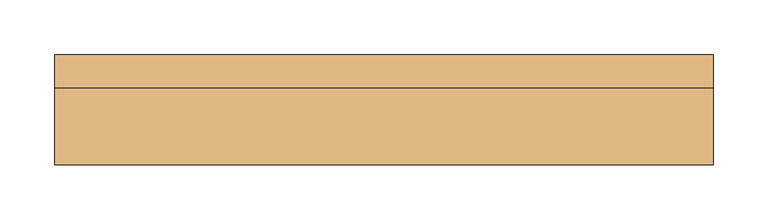
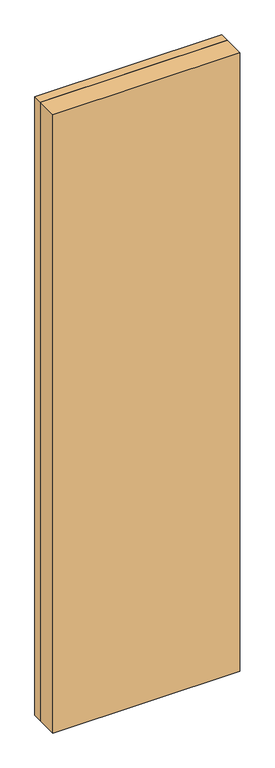
"""IFC4 building model written with IfcOpenShell, lengths in millimetres: door geometry."""

from ifc_helpers import new_model, si_unit, frame, origin, origin_with_axes, place, context, project, spatial, polyline, outline, extrude, source, transform, mapped, element, save


def door_2df90ca5(model_context):
    return source(origin(), model_context, "Body", "SweptSolid", [
        extrude(outline(polyline([(-270.0, 15.0), (270.0, 15.0), (270.0, -15.0), (-270.0, -15.0), (-270.0, 15.0)])), origin_with_axes(), (0.0, 0.0, 1.0), 2070.0),
        extrude(outline(polyline([(0.0, -300.0), (0.0, -270.0), (2070.0, -270.0), (2070.0, 270.0), (0.0, 270.0), (0.0, 300.0), (2100.0, 300.0), (2100.0, -300.0), (0.0, -300.0)])), frame((0.0, -15.0, 0.0), z_axis=(0.0, 1.0, 0.0), x_axis=(0.0, 0.0, 1.0)), (0.0, 0.0, 1.0), 30.0),
        extrude(outline(polyline([(300.0, -85.0), (-300.0, -85.0), (-300.0, -15.0), (300.0, -15.0), (300.0, -85.0)])), origin_with_axes(), (0.0, 0.0, 1.0), 2100.0),
    ])


if __name__ == "__main__":
    model = new_model("IFC4")
    model_context = context("Model", 3, world=origin())
    ifc_project = project(units=[si_unit("LENGTHUNIT", "METRE", prefix="MILLI")], contexts=[model_context])
    site = spatial("IfcSite", under=ifc_project)
    building = spatial("IfcBuilding", under=site)
    placement = place(None, origin())
    door_shape = door_2df90ca5(model_context)
    element("IfcDoor", 1, at=placement, inside=building, context=model_context, shape_type="MappedRepresentation", body=[
        mapped(door_shape, transform((0.0, 0.0, 0.0), x_axis=(1.0, 0.0, 0.0), y_axis=(0.0, 1.0, 0.0), z_axis=(0.0, 0.0, 1.0))),
    ])
    save(model, "model.ifc")
